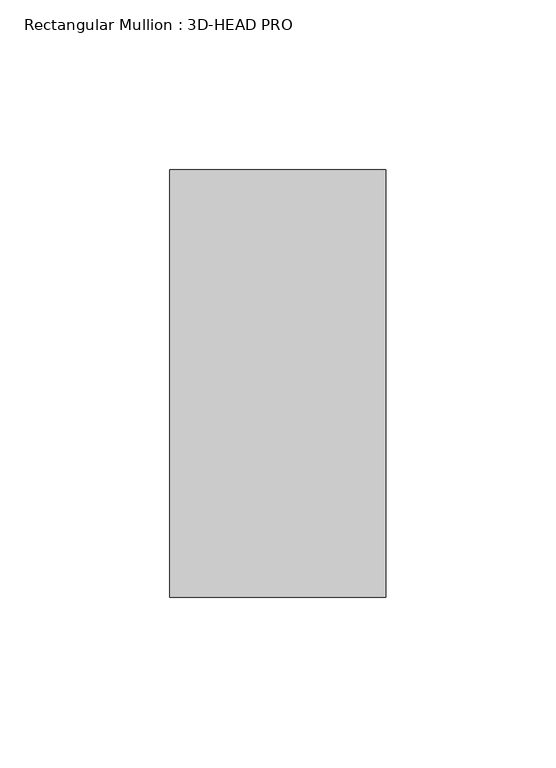
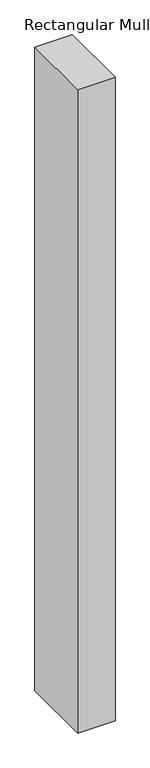
"""IFC4 building model written with IfcOpenShell, lengths in millimetres: member geometry, Rectangular Mullion : 3D-HEAD PRO."""

from ifc_helpers import new_model, si_unit, frame, origin, place, context, project, spatial, polyline, outline, extrude, source, transform, mapped, element, save


def rectangular_mullion_3d_head_pro_31c59c88(model_context):
    return source(origin(), model_context, "Body", "SweptSolid", [
        extrude(outline(polyline([(0.0, -63.1484771), (-63.5, -63.1484771), (-63.5, 62.6323229), (0.0, 62.6323229), (0.0, -63.1484771)])), frame((0.0, 0.0, -1155.7), z_axis=(0.0, 0.0, 1.0), x_axis=(1.0, 0.0, 0.0)), (0.0, 0.0, 1.0), 1155.7),
    ])


if __name__ == "__main__":
    model = new_model("IFC4")
    model_context = context("Model", 3, world=origin())
    ifc_project = project(units=[si_unit("LENGTHUNIT", "METRE", prefix="MILLI")], contexts=[model_context])
    site = spatial("IfcSite", under=ifc_project)
    building = spatial("IfcBuilding", under=site)
    placement = place(None, origin())
    rectangular_mullion_3d_head_pro_shape = rectangular_mullion_3d_head_pro_31c59c88(model_context)
    element("IfcMember", 1, ObjectType="Rectangular Mullion : 3D-HEAD PRO", at=placement, inside=building, context=model_context, shape_type="MappedRepresentation", body=[
        mapped(rectangular_mullion_3d_head_pro_shape, transform((0.0, 0.0, 0.0), x_axis=(1.0, 0.0, 0.0), y_axis=(0.0, 1.0, 0.0), z_axis=(0.0, 0.0, 1.0))),
    ])
    save(model, "model.ifc")
